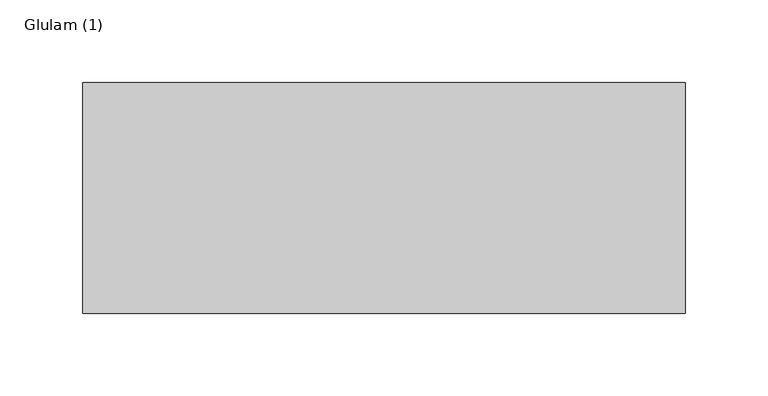
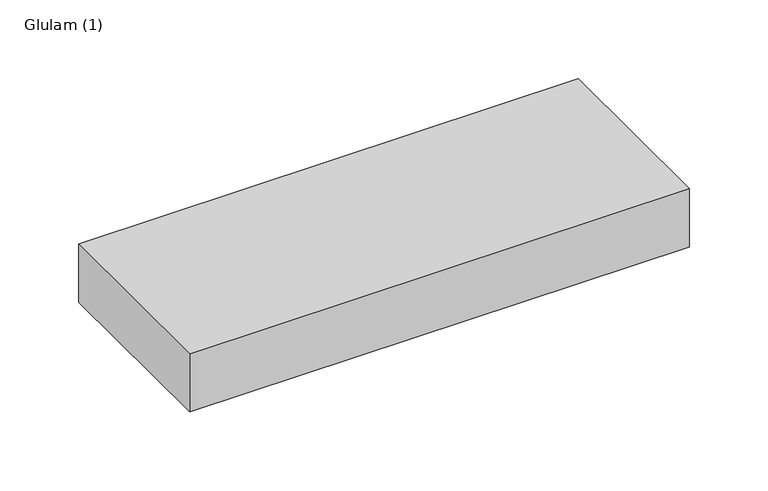
"""IFC4 building model written with IfcOpenShell, lengths in millimetres: beam geometry, Glulam (1)."""

from ifc_helpers import new_model, si_unit, frame, origin, place, context, project, spatial, polyline, outline, extrude, source, transform, mapped, element, save


def glulam_1_05b94882(model_context):
    return source(origin(), model_context, "Body", "SweptSolid", [
        extrude(outline(polyline([(185.5, 70.0), (185.5, -70.0), (-179.5, -70.0), (-179.5, 70.0), (185.5, 70.0)])), frame((0.0, 0.0, -22.5), z_axis=(0.0, 0.0, 1.0), x_axis=(1.0, 0.0, 0.0)), (0.0, 0.0, 1.0), 45.0),
    ])


if __name__ == "__main__":
    model = new_model("IFC4")
    model_context = context("Model", 3, world=origin())
    ifc_project = project(units=[si_unit("LENGTHUNIT", "METRE", prefix="MILLI")], contexts=[model_context])
    site = spatial("IfcSite", under=ifc_project)
    building = spatial("IfcBuilding", under=site)
    placement = place(None, origin())
    glulam_1_shape = glulam_1_05b94882(model_context)
    element("IfcBeam", 1, ObjectType="Glulam (1)", at=placement, inside=building, context=model_context, shape_type="MappedRepresentation", body=[
        mapped(glulam_1_shape, transform((0.0, 0.0, 0.0), x_axis=(1.0, 0.0, 0.0), y_axis=(0.0, 1.0, 0.0), z_axis=(0.0, 0.0, 1.0))),
    ])
    save(model, "model.ifc")
